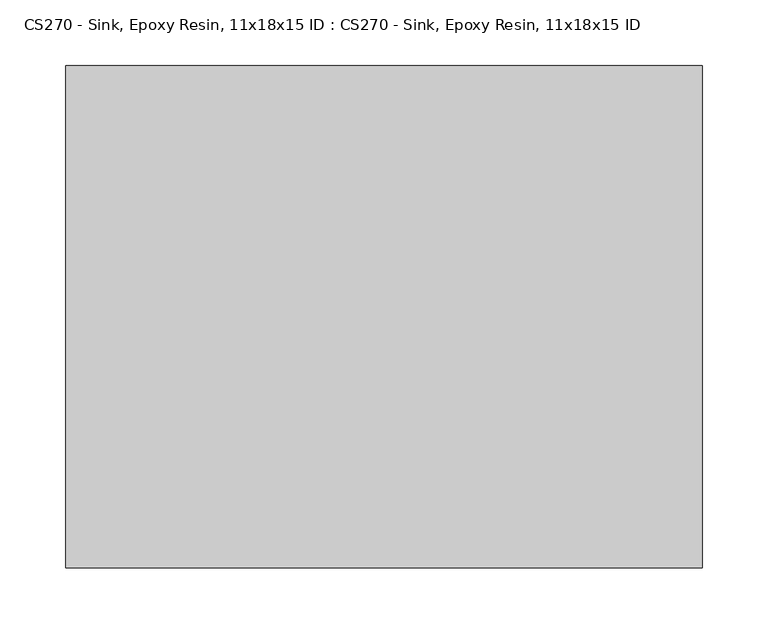
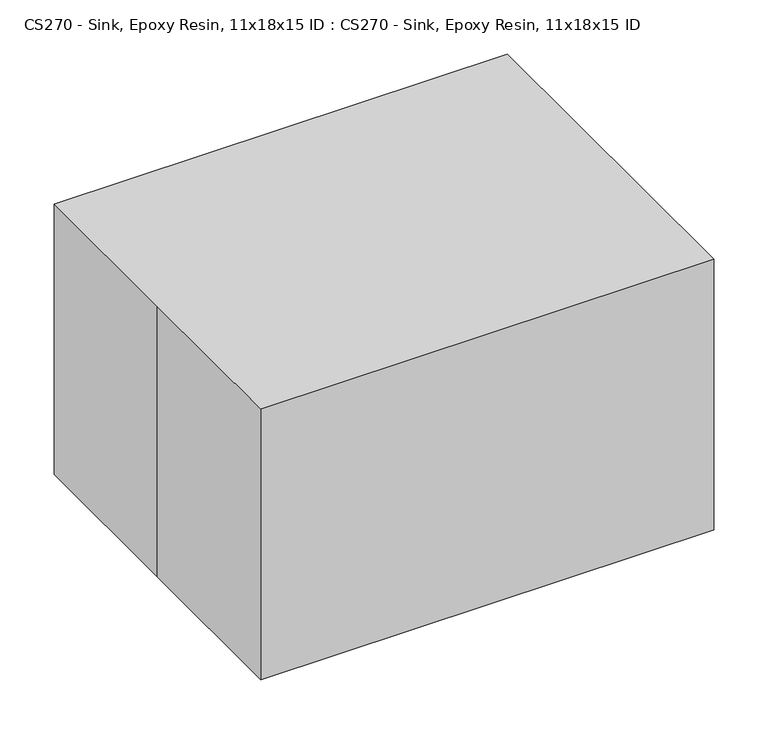
"""IFC4 building model written with IfcOpenShell, lengths in millimetres: proxy geometry, CS270 - Sink, Epoxy Resin, 11x18x15 ID : CS270 - Sink, Epoxy Resin, 11x18x15 ID."""

from ifc_helpers import new_model, si_unit, point, frame, frame_2d, origin, place, context, project, spatial, polyline, circle_curve, trimmed, segment, composite_curve, outline, extrude, source, transform, mapped, element, save
from ifc_brep_helpers import plane_surface, revolved_surface, advanced_brep


def cs270_sink_epoxy_resin_11x18x15_id_cs270_sink_epoxy_resin_71ff5d3a(model_context):
    return source(origin(), model_context, "Body", "SolidModel", [
        extrude(outline(polyline([(199.7990806, 161.6990806), (199.7990806, -161.6990806), (-199.7990806, -161.6990806), (-199.7990806, 161.6990806), (199.7990806, 161.6990806)]), holes=[composite_curve([segment(trimmed(circle_curve(frame_2d((123.825, -85.725)), 23.8125), [point((100.0125, -85.725))], [point((147.6375, -85.725))], True, "CARTESIAN"), True, "CONTINUOUS"), segment(trimmed(circle_curve(frame_2d((123.825, -85.725)), 23.8125), [point((147.6375, -85.725))], [point((100.0125, -85.725))], True, "CARTESIAN"), True, "CONTINUOUS")], self_intersect=False)]), frame((0.0, 0.0, 542.925), z_axis=(0.0, 0.0, 1.0), x_axis=(1.0, 0.0, 0.0)), (0.0, 0.0, 1.0), 16.0452029),
        advanced_brep(
        [(-241.3, -190.5, 847.725), (241.3, -190.5, 847.725), (241.3, 190.5, 847.725), (-241.3, 190.5, 847.725), (-241.3, 0.0, 847.725), (-241.3, -190.5, 542.925), (-241.3, 0.0, 542.925), (-241.3, 190.5, 542.925), (241.3, 190.5, 542.925), (241.3, -190.5, 542.925), (100.0125, -85.725, 542.925), (147.6375, -85.725, 542.925), (100.0125, -85.725, 558.9702029), (147.6375, -85.725, 558.9702029)],
        [
            (0, 1),
            (1, 2),
            (2, 3),
            (3, 4),
            (4, 0),
            (5, 6),
            (6, 7),
            (7, 8),
            (8, 9),
            (9, 5),
            (10, 11, circle_curve(frame((123.825, -85.725, 542.925), z_axis=(0.0, 0.0, 1.0), x_axis=(1.0, 0.0, 0.0)), 23.8125)),
            (11, 10, circle_curve(frame((123.825, -85.725, 542.925), z_axis=(0.0, 0.0, 1.0), x_axis=(1.0, 0.0, 0.0)), 23.8125)),
            (4, 6),
            (5, 0),
            (3, 7),
            (2, 8),
            (1, 9),
            (12, 13, circle_curve(frame((123.825, -85.725, 558.9702029), z_axis=(0.0, 0.0, -1.0), x_axis=(1.0, 0.0, 0.0)), 23.8125)),
            (13, 12, circle_curve(frame((123.825, -85.725, 558.9702029), z_axis=(0.0, 0.0, -1.0), x_axis=(1.0, 0.0, 0.0)), 23.8125)),
            (12, 10),
            (11, 13),
        ],
        [
            plane_surface(frame((-241.3, 0.0, 847.725), z_axis=(0.0, 0.0, 1.0), x_axis=(0.0, 1.0, 0.0))),
            plane_surface(frame((-241.3, 0.0, 542.925), z_axis=(0.0, 0.0, -1.0), x_axis=(0.0, -1.0, 0.0))),
            plane_surface(frame((-241.3, -190.5, 847.725), z_axis=(-1.0, 0.0, 0.0), x_axis=(0.0, 0.0, -1.0))),
            plane_surface(frame((-241.3, 0.0, 847.725), z_axis=(-1.0, 0.0, 0.0), x_axis=(0.0, 0.0, -1.0))),
            plane_surface(frame((-241.3, 190.5, 847.725), z_axis=(0.0, 1.0, 0.0), x_axis=(0.0, 0.0, -1.0))),
            plane_surface(frame((241.3, 190.5, 847.725), z_axis=(1.0, 0.0, 0.0), x_axis=(0.0, 0.0, -1.0))),
            plane_surface(frame((241.3, -190.5, 847.725), z_axis=(0.0, -1.0, 0.0), x_axis=(0.0, 0.0, -1.0))),
            plane_surface(frame((147.6375, -85.725, 558.9702029), z_axis=(0.0, 0.0, -1.0), x_axis=(0.0, -1.0, 0.0))),
            revolved_surface(polyline([(147.6375, -85.725, 558.9702029), (147.6375, -85.725, 542.925)]), (123.825, -85.725, 542.925), (0.0, 0.0, 1.0)),
        ],
        [
            (0, [[1, 2, 3, 4, 5]]),
            (1, [[6, 7, 8, 9, 10], [11, 12]]),
            (2, [[13, -6, 14, -5]]),
            (3, [[15, -7, -13, -4]]),
            (4, [[16, -8, -15, -3]]),
            (5, [[17, -9, -16, -2]]),
            (6, [[-14, -10, -17, -1]]),
            (7, [[18, 19]]),
            (8, [[20, -12, 21, -18]]),
            (8, [[-21, -11, -20, -19]]),
        ],
    ),
    ])


if __name__ == "__main__":
    model = new_model("IFC4")
    model_context = context("Model", 3, world=origin())
    ifc_project = project(units=[si_unit("LENGTHUNIT", "METRE", prefix="MILLI")], contexts=[model_context])
    site = spatial("IfcSite", under=ifc_project)
    building = spatial("IfcBuilding", under=site)
    placement = place(None, origin())
    cs270_sink_epoxy_resin_11x18x15_id_cs270_sink_epoxy_resin_shape = cs270_sink_epoxy_resin_11x18x15_id_cs270_sink_epoxy_resin_71ff5d3a(model_context)
    element("IfcBuildingElementProxy", 1, Name="CS270 - Sink, Epoxy Resin, 11x18x15 ID : CS270 - Sink, Epoxy Resin, 11x18x15 ID", ObjectType="CS270 - Sink, Epoxy Resin, 11x18x15 ID : CS270 - Sink, Epoxy Resin, 11x18x15 ID", at=placement, inside=building, context=model_context, shape_type="MappedRepresentation", body=[
        mapped(cs270_sink_epoxy_resin_11x18x15_id_cs270_sink_epoxy_resin_shape, transform((0.0, 0.0, 0.0), x_axis=(1.0, 0.0, 0.0), y_axis=(0.0, 1.0, 0.0), z_axis=(0.0, 0.0, 1.0))),
    ])
    save(model, "model.ifc")
